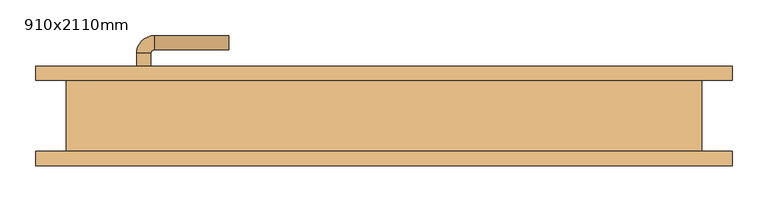
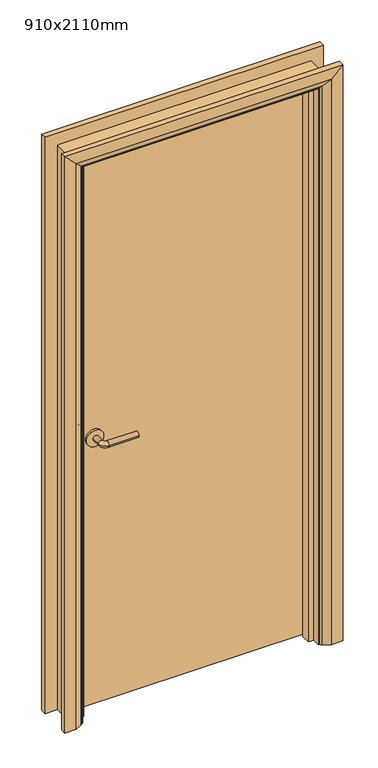
"""IFC4 building model written with IfcOpenShell, lengths in millimetres: door geometry, 910x2110mm."""

from ifc_helpers import new_model, si_unit, point, frame, frame_2d, origin, place, context, project, spatial, polyline, circle_curve, ellipse_curve, trimmed, segment, composite_curve, outline, extrude, faceted_brep, source, transform, mapped, element, save
from ifc_brep_helpers import plane_surface, cylinder_surface, revolved_surface, advanced_brep


def door_910x2110mm_84d3366e(model_context):
    return source(origin(), model_context, "Body", "SolidModel", [
        advanced_brep(
        [(-348.0, 4.0, 1000.0), (-328.0, 4.0, 1000.0), (-328.0, -26.0, 1000.0), (-348.0, -26.0, 1000.0), (-323.0, -31.0, 1000.0), (-323.0, -51.0, 1000.0), (-218.0, -51.0, 1000.0), (-218.0, -31.0, 1000.0)],
        [
            (0, 1, circle_curve(frame((-338.0, 4.0, 1000.0), z_axis=(0.0, 1.0, 0.0), x_axis=(1.0, 0.0, 0.0)), 10.0)),
            (1, 0, circle_curve(frame((-338.0, 4.0, 1000.0), z_axis=(0.0, 1.0, 0.0), x_axis=(1.0, 0.0, 0.0)), 10.0)),
            (1, 2),
            (2, 3, circle_curve(frame((-338.0, -26.0, 1000.0), z_axis=(0.0, 1.0, 0.0), x_axis=(1.0, 0.0, 0.0)), 10.0)),
            (3, 0),
            (3, 2, circle_curve(frame((-338.0, -26.0, 1000.0), z_axis=(0.0, 1.0, 0.0), x_axis=(1.0, 0.0, 0.0)), 10.0)),
            (4, 5, circle_curve(frame((-323.0, -41.0, 1000.0), z_axis=(-1.0, 0.0, 0.0), x_axis=(0.0, 1.0, 0.0)), 10.0)),
            (5, 3, circle_curve(frame((-323.0, -26.0, 1000.0), z_axis=(0.0, 0.0, -1.0), x_axis=(-1.0, 0.0, 0.0)), 25.0)),
            (2, 4, circle_curve(frame((-323.0, -26.0, 1000.0), z_axis=(0.0, 0.0, 1.0), x_axis=(-1.0, 0.0, 0.0)), 5.0)),
            (5, 4, circle_curve(frame((-323.0, -41.0, 1000.0), z_axis=(-1.0, 0.0, 0.0), x_axis=(0.0, 1.0, 0.0)), 10.0)),
            (6, 7, circle_curve(frame((-218.0, -41.0, 1000.0), z_axis=(1.0, 0.0, 0.0), x_axis=(0.0, 1.0, 0.0)), 10.0)),
            (7, 6, circle_curve(frame((-218.0, -41.0, 1000.0), z_axis=(1.0, 0.0, 0.0), x_axis=(0.0, 1.0, 0.0)), 10.0)),
            (4, 7),
            (6, 5),
        ],
        [
            plane_surface(frame((-338.0, 4.0, 1000.0), z_axis=(0.0, 1.0, 0.0), x_axis=(0.0, 0.0, 1.0))),
            cylinder_surface(frame((-338.0, 4.0, 1000.0), z_axis=(0.0, 1.0, 0.0), x_axis=(1.0, 0.0, 0.0)), 10.0),
            revolved_surface(trimmed(ellipse_curve(frame((-338.0, -26.0, 1000.0), z_axis=(0.0, -1.0, 0.0), x_axis=(1.0, 0.0, 0.0)), 10.0, 10.0), [point((-348.0, -26.0, 1000.0))], [point((-328.0, -26.0, 1000.0))], True, "CARTESIAN"), (-323.0, -26.0, 1000.0), (0.0, 0.0, -1.0)),
            revolved_surface(trimmed(ellipse_curve(frame((-338.0, -26.0, 1000.0), z_axis=(0.0, -1.0, 0.0), x_axis=(1.0, 0.0, 0.0)), 10.0, 10.0), [point((-328.0, -26.0, 1000.0))], [point((-348.0, -26.0, 1000.0))], True, "CARTESIAN"), (-323.0, -26.0, 1000.0), (0.0, 0.0, -1.0)),
            plane_surface(frame((-218.0, -41.0, 1000.0), z_axis=(1.0, 0.0, 0.0), x_axis=(0.0, 0.0, 1.0))),
            cylinder_surface(frame((-323.0, -41.0, 1000.0), z_axis=(-1.0, 0.0, 0.0), x_axis=(0.0, 1.0, 0.0)), 10.0),
        ],
        [
            (0, [[1, 2]]),
            (1, [[3, 4, 5, -2]]),
            (1, [[-5, 6, -3, -1]]),
            (2, [[7, 8, -4, 9]]),
            (3, [[10, -9, -6, -8]]),
            (4, [[11, 12]]),
            (5, [[13, -11, 14, -7]]),
            (5, [[-14, -12, -13, -10]]),
        ],
    ),
        extrude(outline(composite_curve([segment(trimmed(circle_curve(frame_2d((1000.0, -340.5)), 30.0), [point((1000.0, -370.5))], [point((1000.0, -310.5))], False, "CARTESIAN"), True, "CONTINUOUS"), segment(trimmed(circle_curve(frame_2d((1000.0, -340.5)), 30.0), [point((1000.0, -310.5))], [point((1000.0, -370.5))], False, "CARTESIAN"), True, "CONTINUOUS")], self_intersect=False)), frame((0.0, 4.0, 0.0), z_axis=(0.0, 1.0, 0.0), x_axis=(0.0, 0.0, 1.0)), (0.0, 0.0, 1.0), 8.0),
        advanced_brep(
        [(-348.0, 58.0, 1000.0), (-328.0, 58.0, 1000.0), (-348.0, 88.0, 1000.0), (-328.0, 88.0, 1000.0), (-323.0, 93.0, 1000.0), (-323.0, 113.0, 1000.0), (-218.0, 113.0, 1000.0), (-218.0, 93.0, 1000.0)],
        [
            (0, 1, circle_curve(frame((-338.0, 58.0, 1000.0), z_axis=(0.0, -1.0, 0.0), x_axis=(1.0, 0.0, 0.0)), 10.0)),
            (1, 0, circle_curve(frame((-338.0, 58.0, 1000.0), z_axis=(0.0, -1.0, 0.0), x_axis=(1.0, 0.0, 0.0)), 10.0)),
            (0, 2),
            (2, 3, circle_curve(frame((-338.0, 88.0, 1000.0), z_axis=(0.0, -1.0, 0.0), x_axis=(1.0, 0.0, 0.0)), 10.0)),
            (3, 1),
            (3, 2, circle_curve(frame((-338.0, 88.0, 1000.0), z_axis=(0.0, -1.0, 0.0), x_axis=(1.0, 0.0, 0.0)), 10.0)),
            (4, 3, circle_curve(frame((-323.0, 88.0, 1000.0), z_axis=(0.0, 0.0, 1.0), x_axis=(-1.0, 0.0, 0.0)), 5.0)),
            (2, 5, circle_curve(frame((-323.0, 88.0, 1000.0), z_axis=(0.0, 0.0, -1.0), x_axis=(-1.0, 0.0, 0.0)), 25.0)),
            (5, 4, circle_curve(frame((-323.0, 103.0, 1000.0), z_axis=(-1.0, 0.0, 0.0), x_axis=(0.0, -1.0, 0.0)), 10.0)),
            (4, 5, circle_curve(frame((-323.0, 103.0, 1000.0), z_axis=(-1.0, 0.0, 0.0), x_axis=(0.0, -1.0, 0.0)), 10.0)),
            (6, 7, circle_curve(frame((-218.0, 103.0, 1000.0), z_axis=(1.0, 0.0, 0.0), x_axis=(0.0, -1.0, 0.0)), 10.0)),
            (7, 6, circle_curve(frame((-218.0, 103.0, 1000.0), z_axis=(1.0, 0.0, 0.0), x_axis=(0.0, -1.0, 0.0)), 10.0)),
            (5, 6),
            (7, 4),
        ],
        [
            plane_surface(frame((-338.0, 58.0, 1000.0), z_axis=(0.0, -1.0, 0.0), x_axis=(0.0, 0.0, 1.0))),
            cylinder_surface(frame((-338.0, 58.0, 1000.0), z_axis=(0.0, -1.0, 0.0), x_axis=(1.0, 0.0, 0.0)), 10.0),
            revolved_surface(trimmed(ellipse_curve(frame((-338.0, 88.0, 1000.0), z_axis=(0.0, -1.0, 0.0), x_axis=(1.0, 0.0, 0.0)), 10.0, 10.0), [point((-348.0, 88.0, 1000.0))], [point((-328.0, 88.0, 1000.0))], True, "CARTESIAN"), (-323.0, 88.0, 1000.0), (0.0, 0.0, -1.0)),
            revolved_surface(trimmed(ellipse_curve(frame((-338.0, 88.0, 1000.0), z_axis=(0.0, -1.0, 0.0), x_axis=(1.0, 0.0, 0.0)), 10.0, 10.0), [point((-328.0, 88.0, 1000.0))], [point((-348.0, 88.0, 1000.0))], True, "CARTESIAN"), (-323.0, 88.0, 1000.0), (0.0, 0.0, -1.0)),
            plane_surface(frame((-218.0, 103.0, 1000.0), z_axis=(1.0, 0.0, 0.0), x_axis=(0.0, 0.0, 1.0))),
            cylinder_surface(frame((-323.0, 103.0, 1000.0), z_axis=(-1.0, 0.0, 0.0), x_axis=(0.0, -1.0, 0.0)), 10.0),
        ],
        [
            (0, [[1, 2]]),
            (1, [[-1, 3, 4, 5]]),
            (1, [[-2, -5, 6, -3]]),
            (2, [[7, -4, 8, 9]]),
            (3, [[-8, -6, -7, 10]]),
            (4, [[11, 12]]),
            (5, [[-9, 13, -12, 14]]),
            (5, [[-10, -14, -11, -13]]),
        ],
    ),
        extrude(outline(composite_curve([segment(trimmed(circle_curve(frame_2d((1000.0, -340.5)), 30.0), [point((1000.0, -370.5))], [point((1000.0, -310.5))], False, "CARTESIAN"), True, "CONTINUOUS"), segment(trimmed(circle_curve(frame_2d((1000.0, -340.5)), 30.0), [point((1000.0, -310.5))], [point((1000.0, -370.5))], False, "CARTESIAN"), True, "CONTINUOUS")], self_intersect=False)), frame((0.0, 50.0, 0.0), z_axis=(0.0, 1.0, 0.0), x_axis=(0.0, 0.0, 1.0)), (0.0, 0.0, 1.0), 8.0),
        extrude(outline(polyline([(413.0, 12.0), (-413.0, 12.0), (-413.0, 50.0), (413.0, 50.0), (413.0, 12.0)])), frame((0.0, 0.0, 8.0), z_axis=(0.0, 0.0, 1.0), x_axis=(1.0, 0.0, 0.0)), (0.0, 0.0, 1.0), 2060.0),
        advanced_brep(
        [(490.0, 70.0, 0.0), (490.0, 50.0, 0.0), (420.0, 50.0, 0.0), (424.0, 56.0, 0.0), (450.0, 70.0, 0.0), (490.0, 70.0, 2145.0), (490.0, 50.0, 2145.0), (-490.0, 50.0, 2145.0), (-490.0, 50.0, 0.0), (-420.0, 50.0, 0.0), (-420.0, 50.0, 2075.0), (420.0, 50.0, 2075.0), (424.0, 56.0, 2079.0), (450.0, 70.0, 2105.0), (-450.0, 70.0, 2105.0), (-450.0, 70.0, 0.0), (-490.0, 70.0, 0.0), (-490.0, 70.0, 2145.0), (-424.0, 56.0, 2079.0), (-424.0, 56.0, 0.0)],
        [
            (0, 1),
            (1, 2),
            (2, 3, circle_curve(frame((428.0, 49.0, 0.0), z_axis=(0.0, 0.0, -1.0), x_axis=(1.0, 0.0, 0.0)), 8.0622577)),
            (3, 4),
            (4, 0),
            (0, 5),
            (5, 6),
            (6, 1),
            (6, 7),
            (7, 8),
            (8, 9),
            (9, 10),
            (10, 11),
            (11, 2),
            (11, 12, ellipse_curve(frame((428.0, 49.0, 2083.0), z_axis=(0.7071067811865475, 0.0, -0.7071067811865475), x_axis=(-0.7071067811865474, 0.0, -0.7071067811865476)), 11.4017543, 8.0622577)),
            (12, 3),
            (12, 13),
            (13, 4),
            (13, 14),
            (14, 15),
            (15, 16),
            (16, 17),
            (17, 5),
            (17, 7),
            (10, 18, ellipse_curve(frame((-428.0, 49.0, 2083.0), z_axis=(0.7071067811865475, 0.0, 0.7071067811865475), x_axis=(0.7071067811865476, 0.0, -0.7071067811865474)), 11.4017543, 8.0622577)),
            (18, 12),
            (18, 14),
            (15, 19),
            (19, 9, circle_curve(frame((-428.0, 49.0, 0.0), z_axis=(0.0, 0.0, -1.0), x_axis=(-1.0, 0.0, 0.0)), 8.0622577)),
            (8, 16),
            (19, 18),
        ],
        [
            plane_surface(frame((420.0, 50.0, 0.0), z_axis=(0.0, 0.0, -1.0), x_axis=(0.0, -1.0, 0.0))),
            plane_surface(frame((490.0, 70.0, 0.0), z_axis=(1.0, 0.0, 0.0), x_axis=(0.0, 0.0, 1.0))),
            plane_surface(frame((490.0, 50.0, 0.0), z_axis=(0.0, -1.0, 0.0), x_axis=(0.0, 0.0, 1.0))),
            cylinder_surface(frame((428.0, 49.0, 0.0), z_axis=(0.0, 0.0, -1.0), x_axis=(1.0, 0.0, 0.0)), 8.0622577),
            plane_surface(frame((424.0, 56.0, 0.0), z_axis=(-0.4740998230350126, 0.880471099922178, 0.0), x_axis=(0.0, 0.0, 1.0))),
            plane_surface(frame((450.0, 70.0, 0.0), z_axis=(0.0, 1.0, 0.0), x_axis=(0.0, 0.0, 1.0))),
            plane_surface(frame((490.0, 70.0, 2145.0), z_axis=(0.0, 0.0, 1.0), x_axis=(-1.0, 0.0, 0.0))),
            cylinder_surface(frame((420.0, 49.0, 2083.0), z_axis=(1.0, 0.0, 0.0), x_axis=(0.0, 0.0, 1.0)), 8.0622577),
            plane_surface(frame((424.0, 56.0, 2079.0), z_axis=(0.0, 0.8804710999221764, -0.4740998230350154), x_axis=(-1.0, 0.0, 0.0))),
            plane_surface(frame((-420.0, 50.0, 0.0), z_axis=(0.0, 0.0, -1.0), x_axis=(0.0, -1.0, 0.0))),
            plane_surface(frame((-490.0, 70.0, 2145.0), z_axis=(-1.0, 0.0, 0.0), x_axis=(0.0, 0.0, -1.0))),
            cylinder_surface(frame((-428.0, 49.0, 2075.0), z_axis=(0.0, 0.0, 1.0), x_axis=(-1.0, 0.0, 0.0)), 8.0622577),
            plane_surface(frame((-424.0, 56.0, 2079.0), z_axis=(0.47409982303501824, 0.8804710999221749, 0.0), x_axis=(0.0, 0.0, -1.0))),
        ],
        [
            (0, [[1, 2, 3, 4, 5]]),
            (1, [[-1, 6, 7, 8]]),
            (2, [[-2, -8, 9, 10, 11, 12, 13, 14]]),
            (3, [[-3, -14, 15, 16]]),
            (4, [[-4, -16, 17, 18]]),
            (5, [[-5, -18, 19, 20, 21, 22, 23, -6]]),
            (6, [[-7, -23, 24, -9]]),
            (7, [[-15, -13, 25, 26]]),
            (8, [[-17, -26, 27, -19]]),
            (9, [[-21, 28, 29, -11, 30]]),
            (10, [[-24, -22, -30, -10]]),
            (11, [[-25, -12, -29, 31]]),
            (12, [[-27, -31, -28, -20]]),
        ],
    ),
        extrude(outline(polyline([(0.0, -415.0), (0.0, -396.0), (2051.0, -396.0), (2051.0, 396.0), (0.0, 396.0), (0.0, 415.0), (2070.0, 415.0), (2070.0, -415.0), (0.0, -415.0)])), frame((0.0, -22.0, 0.0), z_axis=(0.0, 1.0, 0.0), x_axis=(0.0, 0.0, 1.0)), (0.0, 0.0, 1.0), 32.0),
        advanced_brep(
        [(-490.0, -70.0, 0.0), (-490.0, -50.0, 0.0), (-420.0, -50.0, 0.0), (-424.0, -56.0, 0.0), (-450.0, -70.0, 0.0), (-490.0, -70.0, 2145.0), (-490.0, -50.0, 2145.0), (-420.0, -50.0, 2075.0), (-424.0, -56.0, 2079.0), (-450.0, -70.0, 2105.0), (490.0, -70.0, 2145.0), (490.0, -50.0, 2145.0), (420.0, -50.0, 2075.0), (424.0, -56.0, 2079.0), (450.0, -70.0, 2105.0), (490.0, -70.0, 0.0), (450.0, -70.0, 0.0), (424.0, -56.0, 0.0), (420.0, -50.0, 0.0), (490.0, -50.0, 0.0)],
        [
            (0, 1),
            (1, 2),
            (2, 3, circle_curve(frame((-428.0, -49.0, 0.0), z_axis=(0.0, 0.0, -1.0), x_axis=(-1.0, 0.0, 0.0)), 8.0622577)),
            (3, 4),
            (4, 0),
            (0, 5),
            (5, 6),
            (6, 1),
            (6, 7),
            (7, 2),
            (7, 8, ellipse_curve(frame((-428.0, -49.0, 2083.0), z_axis=(-0.7071067811865475, 0.0, -0.7071067811865475), x_axis=(0.7071067811865474, 0.0, -0.7071067811865476)), 11.4017543, 8.0622577)),
            (8, 3),
            (8, 9),
            (9, 4),
            (9, 5),
            (5, 10),
            (10, 11),
            (11, 6),
            (11, 12),
            (12, 7),
            (12, 13, ellipse_curve(frame((428.0, -49.0, 2083.0), z_axis=(-0.7071067811865475, 0.0, 0.7071067811865475), x_axis=(-0.7071067811865476, 0.0, -0.7071067811865474)), 11.4017543, 8.0622577)),
            (13, 8),
            (13, 14),
            (14, 9),
            (14, 10),
            (15, 16),
            (16, 17),
            (17, 18, circle_curve(frame((428.0, -49.0, 0.0), z_axis=(0.0, 0.0, -1.0), x_axis=(1.0, 0.0, 0.0)), 8.0622577)),
            (18, 19),
            (19, 15),
            (10, 15),
            (19, 11),
            (18, 12),
            (17, 13),
            (16, 14),
        ],
        [
            plane_surface(frame((-420.0, -122.8010989, 0.0), z_axis=(0.0, 0.0, -1.0), x_axis=(1.0, 0.0, 0.0))),
            plane_surface(frame((-490.0, -70.0, 0.0), z_axis=(-1.0, 0.0, 0.0), x_axis=(0.0, 0.0, 1.0))),
            plane_surface(frame((-490.0, -50.0, 0.0), z_axis=(0.0, 1.0, 0.0), x_axis=(0.0, 0.0, 1.0))),
            cylinder_surface(frame((-428.0, -49.0, 0.0), z_axis=(0.0, 0.0, -1.0), x_axis=(-1.0, 0.0, 0.0)), 8.0622577),
            plane_surface(frame((-424.0, -56.0, 0.0), z_axis=(0.4740998230350183, -0.8804710999221749, 0.0), x_axis=(0.0, 0.0, 1.0))),
            plane_surface(frame((-450.0, -70.0, 0.0), z_axis=(0.0, -1.0, 0.0), x_axis=(0.0, 0.0, 1.0))),
            plane_surface(frame((-490.0, -70.0, 2145.0), z_axis=(0.0, 0.0, 1.0), x_axis=(1.0, 0.0, 0.0))),
            plane_surface(frame((-490.0, -50.0, 2145.0), z_axis=(0.0, 1.0, 0.0), x_axis=(1.0, 0.0, 0.0))),
            cylinder_surface(frame((-420.0, -49.0, 2083.0), z_axis=(-1.0, 0.0, 0.0), x_axis=(0.0, 0.0, 1.0)), 8.0622577),
            plane_surface(frame((-424.0, -56.0, 2079.0), z_axis=(0.0, -0.8804710999221749, -0.4740998230350183), x_axis=(1.0, 0.0, 0.0))),
            plane_surface(frame((-450.0, -70.0, 2105.0), z_axis=(0.0, -1.0, 0.0), x_axis=(1.0, 0.0, 0.0))),
            plane_surface(frame((420.0, -122.8010989, 0.0), z_axis=(0.0, 0.0, -1.0), x_axis=(-1.0, 0.0, 0.0))),
            plane_surface(frame((490.0, -70.0, 2145.0), z_axis=(1.0, 0.0, 0.0), x_axis=(0.0, 0.0, -1.0))),
            plane_surface(frame((490.0, -50.0, 2145.0), z_axis=(0.0, 1.0, 0.0), x_axis=(0.0, 0.0, -1.0))),
            cylinder_surface(frame((428.0, -49.0, 2075.0), z_axis=(0.0, 0.0, 1.0), x_axis=(1.0, 0.0, 0.0)), 8.0622577),
            plane_surface(frame((424.0, -56.0, 2079.0), z_axis=(-0.4740998230350183, -0.8804710999221749, 0.0), x_axis=(0.0, 0.0, -1.0))),
            plane_surface(frame((450.0, -70.0, 2105.0), z_axis=(0.0, -1.0, 0.0), x_axis=(0.0, 0.0, -1.0))),
        ],
        [
            (0, [[1, 2, 3, 4, 5]]),
            (1, [[-1, 6, 7, 8]]),
            (2, [[-2, -8, 9, 10]]),
            (3, [[-3, -10, 11, 12]]),
            (4, [[-4, -12, 13, 14]]),
            (5, [[-5, -14, 15, -6]]),
            (6, [[-7, 16, 17, 18]]),
            (7, [[-9, -18, 19, 20]]),
            (8, [[-11, -20, 21, 22]]),
            (9, [[-13, -22, 23, 24]]),
            (10, [[-15, -24, 25, -16]]),
            (11, [[26, 27, 28, 29, 30]]),
            (12, [[-17, 31, -30, 32]]),
            (13, [[-19, -32, -29, 33]]),
            (14, [[-21, -33, -28, 34]]),
            (15, [[-23, -34, -27, 35]]),
            (16, [[-25, -35, -26, -31]]),
        ],
    ),
        faceted_brep([(-415.0, 50.0, 0.0), (-415.0, -50.0, 0.0), (-447.0, -50.0, 0.0), (-447.0, 50.0, 0.0), (-415.0, 50.0, 2070.0), (-415.0, -50.0, 2070.0), (-447.0, -50.0, 2102.0), (-447.0, 50.0, 2102.0), (415.0, 50.0, 2070.0), (415.0, -50.0, 2070.0), (447.0, -50.0, 2102.0), (447.0, 50.0, 2102.0), (415.0, 50.0, 0.0), (447.0, 50.0, 0.0), (447.0, -50.0, 0.0), (415.0, -50.0, 0.0)], [[[0, 1, 2, 3]], [[1, 0, 4, 5]], [[2, 1, 5, 6]], [[3, 2, 6, 7]], [[0, 3, 7, 4]], [[5, 4, 8, 9]], [[6, 5, 9, 10]], [[7, 6, 10, 11]], [[4, 7, 11, 8]], [[12, 13, 14, 15]], [[9, 8, 12, 15]], [[10, 9, 15, 14]], [[11, 10, 14, 13]], [[8, 11, 13, 12]]]),
    ])


if __name__ == "__main__":
    model = new_model("IFC4")
    model_context = context("Model", 3, world=origin())
    ifc_project = project(units=[si_unit("LENGTHUNIT", "METRE", prefix="MILLI")], contexts=[model_context])
    site = spatial("IfcSite", under=ifc_project)
    building = spatial("IfcBuilding", under=site)
    placement = place(None, origin())
    door_910x2110mm_shape = door_910x2110mm_84d3366e(model_context)
    element("IfcDoor", 1, ObjectType="910x2110mm", at=placement, inside=building, context=model_context, shape_type="MappedRepresentation", body=[
        mapped(door_910x2110mm_shape, transform((0.0, 0.0, 0.0), x_axis=(1.0, 0.0, 0.0), y_axis=(0.0, 1.0, 0.0), z_axis=(0.0, 0.0, 1.0))),
    ])
    save(model, "model.ifc")
